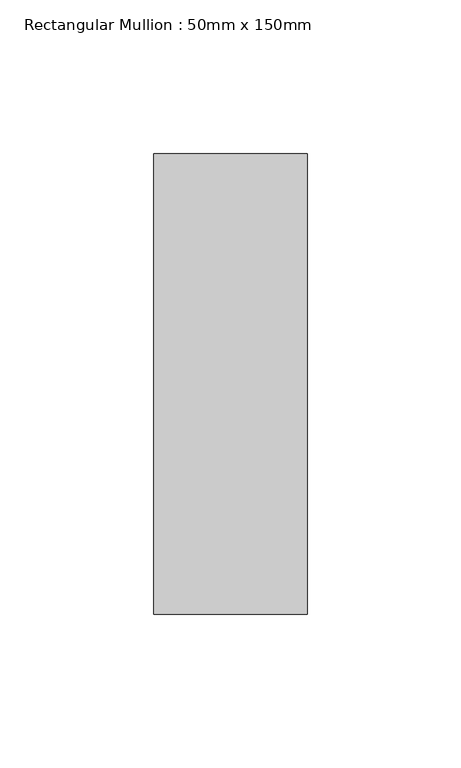
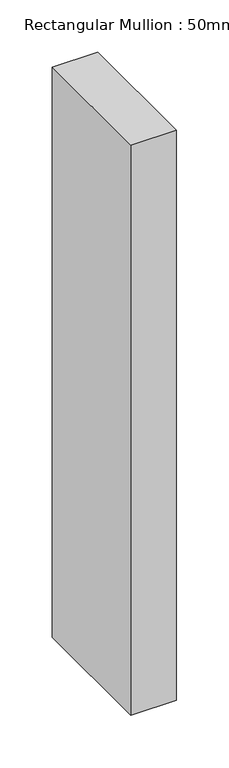
"""IFC4 building model written with IfcOpenShell, lengths in millimetres: member geometry, Rectangular Mullion : 50mm x 150mm."""

from ifc_helpers import new_model, si_unit, frame, origin, place, context, project, spatial, polyline, outline, extrude, source, transform, mapped, element, save


def rectangular_mullion_50mm_x_150mm_2829d028(model_context):
    return source(origin(), model_context, "Body", "SweptSolid", [
        extrude(outline(polyline([(0.0, 75.0), (0.0, -75.0), (-50.0, -75.0), (-50.0, 75.0), (0.0, 75.0)])), frame((0.0, 0.0, -665.0), z_axis=(0.0, 0.0, 1.0), x_axis=(1.0, 0.0, 0.0)), (0.0, 0.0, 1.0), 665.0),
    ])


if __name__ == "__main__":
    model = new_model("IFC4")
    model_context = context("Model", 3, world=origin())
    ifc_project = project(units=[si_unit("LENGTHUNIT", "METRE", prefix="MILLI")], contexts=[model_context])
    site = spatial("IfcSite", under=ifc_project)
    building = spatial("IfcBuilding", under=site)
    placement = place(None, origin())
    rectangular_mullion_50mm_x_150mm_shape = rectangular_mullion_50mm_x_150mm_2829d028(model_context)
    element("IfcMember", 1, ObjectType="Rectangular Mullion : 50mm x 150mm", at=placement, inside=building, context=model_context, shape_type="MappedRepresentation", body=[
        mapped(rectangular_mullion_50mm_x_150mm_shape, transform((0.0, 0.0, 0.0), x_axis=(1.0, 0.0, 0.0), y_axis=(0.0, 1.0, 0.0), z_axis=(0.0, 0.0, 1.0))),
    ])
    save(model, "model.ifc")
